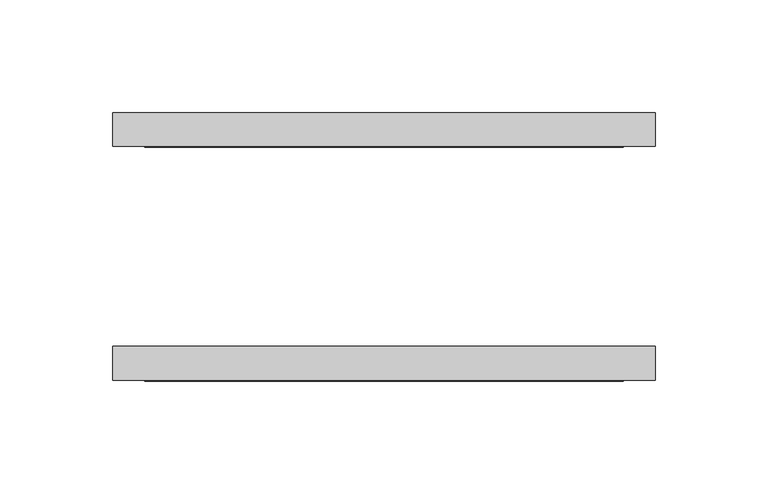
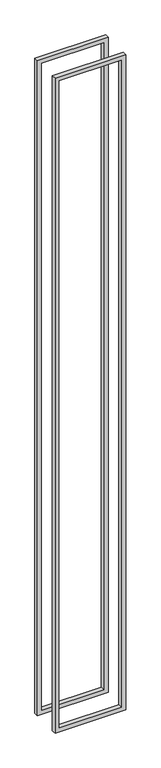
"""IFC4 building model written with IfcOpenShell, lengths in millimetres: proxy geometry."""

from ifc_helpers import new_model, si_unit, frame, origin, place, context, project, spatial, polyline, outline, extrude, source, transform, mapped, element, save


def generic_models_2034e997(model_context):
    return source(origin(), model_context, "Body", "SweptSolid", [
        extrude(outline(polyline([(2392.3625, -649.2875), (26.9875, -649.2875), (26.9875, -407.9875), (2392.3625, -407.9875), (2392.3625, -649.2875)]), holes=[polyline([(2378.075, -422.275), (41.275, -422.275), (41.275, -635.0), (2378.075, -635.0), (2378.075, -422.275)])]), frame((0.0, -59.53125, 0.0), z_axis=(0.0, 1.0, 0.0), x_axis=(0.0, 0.0, 1.0)), (0.0, 0.0, 1.0), 15.08125),
        extrude(outline(polyline([(26.9875, -407.9875), (2392.3625, -407.9875), (2392.3625, -649.2875), (26.9875, -649.2875), (26.9875, -407.9875)]), holes=[polyline([(41.275, -635.0), (2378.075, -635.0), (2378.075, -422.275), (41.275, -422.275), (41.275, -635.0)])]), frame((0.0, 44.45, 0.0), z_axis=(0.0, 1.0, 0.0), x_axis=(0.0, 0.0, 1.0)), (0.0, 0.0, 1.0), 15.08125),
    ])


if __name__ == "__main__":
    model = new_model("IFC4")
    model_context = context("Model", 3, world=origin())
    ifc_project = project(units=[si_unit("LENGTHUNIT", "METRE", prefix="MILLI")], contexts=[model_context])
    site = spatial("IfcSite", under=ifc_project)
    building = spatial("IfcBuilding", under=site)
    placement = place(None, origin())
    generic_models_shape = generic_models_2034e997(model_context)
    element("IfcBuildingElementProxy", 1, Name="Generic Models", at=placement, inside=building, context=model_context, shape_type="MappedRepresentation", body=[
        mapped(generic_models_shape, transform((0.0, 0.0, 0.0), x_axis=(1.0, 0.0, 0.0), y_axis=(0.0, 1.0, 0.0), z_axis=(0.0, 0.0, 1.0))),
    ])
    save(model, "model.ifc")
